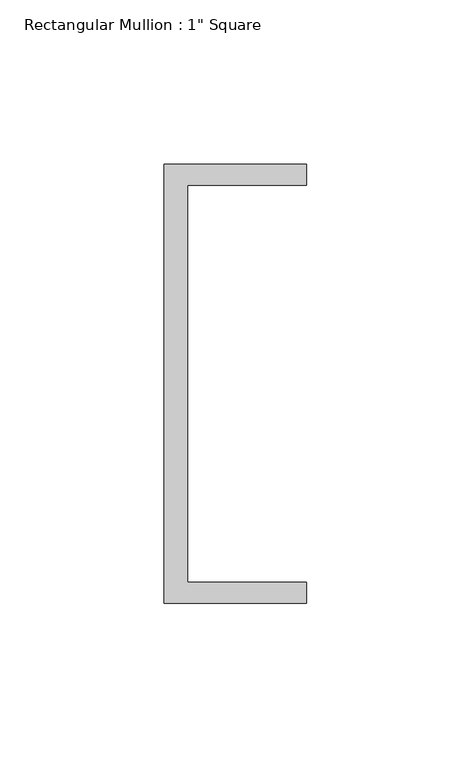
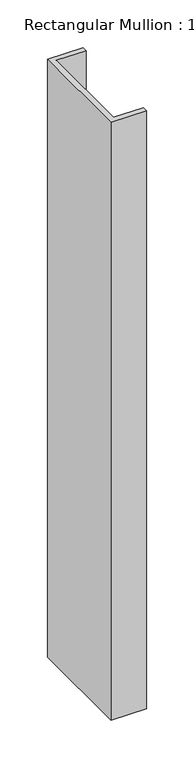
"""IFC4 building model written with IfcOpenShell, lengths in millimetres: member geometry."""

from ifc_helpers import new_model, si_unit, frame, origin, place, context, project, spatial, polyline, outline, extrude, source, transform, mapped, element, save


def member_b6ad79c3(model_context):
    return source(origin(), model_context, "Body", "SweptSolid", [
        extrude(outline(polyline([(-18.6549463, 135.2608739), (24.5675083, 135.2608739), (24.5675083, 128.9108739), (-11.6110886, 128.9108739), (-11.6110886, 8.2608739), (24.5675083, 8.2608739), (24.5675083, 1.9108739), (-18.6549463, 1.9108739), (-18.6549463, 135.2608739)])), frame((0.0, 0.0, -767.3439077), z_axis=(0.0, 0.0, 1.0), x_axis=(1.0, 0.0, 0.0)), (0.0, 0.0, 1.0), 767.3439077),
    ])


if __name__ == "__main__":
    model = new_model("IFC4")
    model_context = context("Model", 3, world=origin())
    ifc_project = project(units=[si_unit("LENGTHUNIT", "METRE", prefix="MILLI")], contexts=[model_context])
    site = spatial("IfcSite", under=ifc_project)
    building = spatial("IfcBuilding", under=site)
    placement = place(None, origin())
    member_shape = member_b6ad79c3(model_context)
    element("IfcMember", 1, ObjectType="Rectangular Mullion : 1\" Square", at=placement, inside=building, context=model_context, shape_type="MappedRepresentation", body=[
        mapped(member_shape, transform((0.0, 0.0, 0.0), x_axis=(1.0, 0.0, 0.0), y_axis=(0.0, 1.0, 0.0), z_axis=(0.0, 0.0, 1.0))),
    ])
    save(model, "model.ifc")
